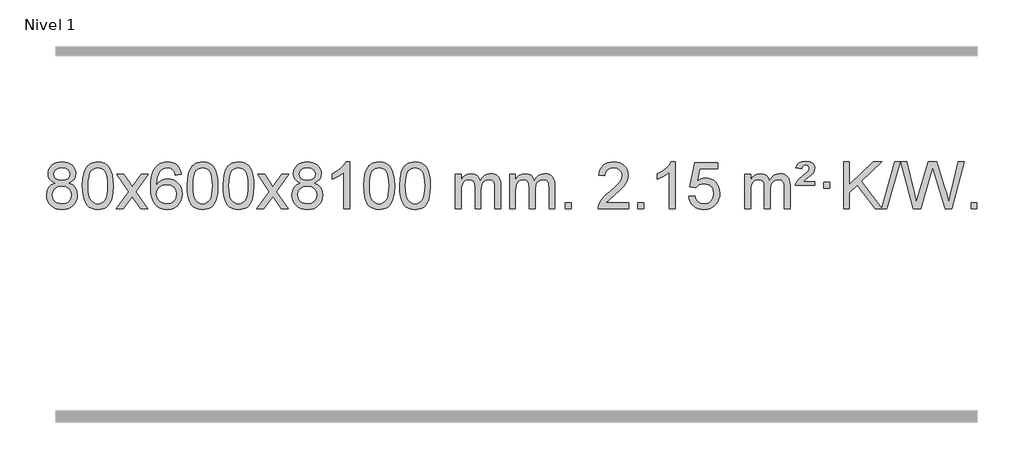
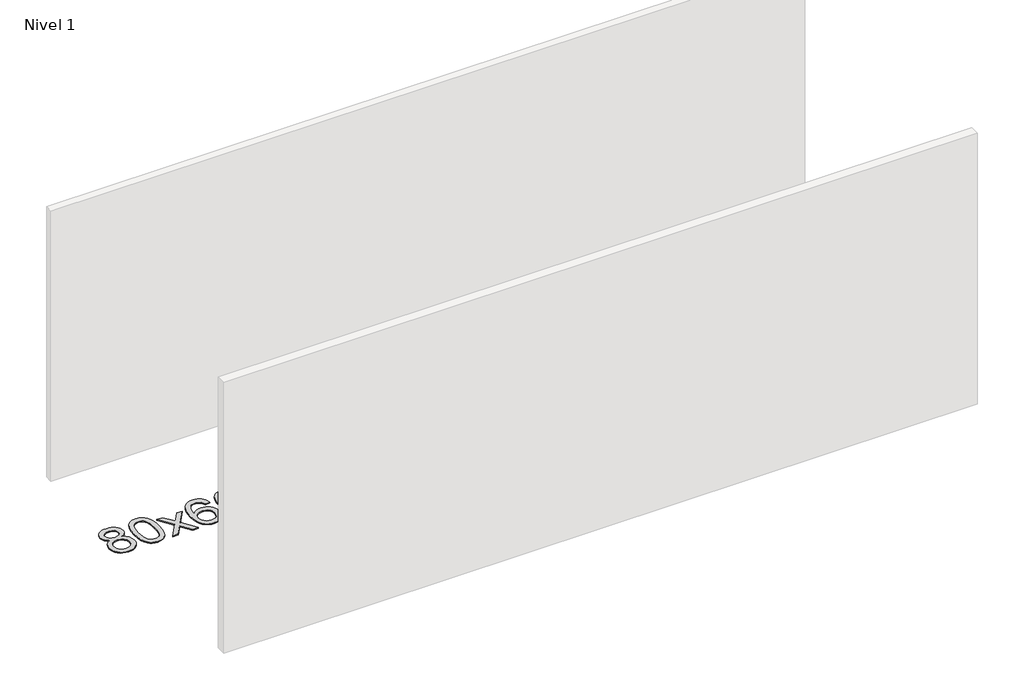
# One storey, part 3 of 8: 1 proxy.
"""IFC4 building model written with IfcOpenShell, lengths in millimetres."""

from ifc_helpers import new_model, si_unit, origin, origin_with_axes, place, context, project, spatial, polyline, outline, extrude, element, save

model = new_model("IFC4")

# Units and contexts
model_context = context("Model", 3, world=origin())
ifc_project = project(units=[si_unit("LENGTHUNIT", "METRE", prefix="MILLI")], contexts=[model_context])

# Site, building, storey
site = spatial("IfcSite", under=ifc_project)
building = spatial("IfcBuilding", under=site)
storey = spatial("IfcBuildingStorey", under=building, Name="Nivel 1", Elevation=0.0)

# Proxy
placement = place(None, origin())
element("IfcBuildingElementProxy", 1, Name="Texto de modelo 1", ObjectType="Texto de modelo 1", at=placement, inside=storey, context=model_context, shape_type="SweptSolid", body=[
    extrude(outline(polyline([(-13036.8094438, -6199.2616447), (-13063.7016177, -6186.0178929), (-13082.573964, -6168.0652515), (-13093.7207885, -6145.7716026), (-13097.4363966, -6119.5048281), (-13095.4130456, -6099.0199324), (-13089.3429927, -6080.2395565), (-13079.2262378, -6063.1637006), (-13065.062781, -6047.7923645), (-13047.533204, -6035.088173), (-13027.3180883, -6026.0137504), (-13004.4174341, -6020.5690969), (-12978.8312414, -6018.7542124), (-12953.1224213, -6020.6120165), (-12930.0500888, -6026.1854287), (-12909.614244, -6035.4744491), (-12891.8148868, -6048.4790776), (-12877.3939126, -6064.1508506), (-12867.0932167, -6081.4413044), (-12860.9127992, -6100.3504389), (-12858.85266, -6120.8782543), (-12862.5192172, -6146.2989001), (-12873.5188889, -6168.2124043), (-12891.9743023, -6186.0546811), (-12918.0080848, -6199.2616447), (-12887.0937345, -6215.1909351), (-12864.5916191, -6238.6495436), (-12850.8696207, -6268.5092989), (-12846.2956212, -6303.6420295), (-12848.5642269, -6328.6947933), (-12855.3700438, -6351.6628926), (-12866.713072, -6372.5463272), (-12882.5933114, -6391.3450971), (-12902.1768963, -6406.88198), (-12924.6299607, -6417.9797536), (-12949.9525047, -6424.6384177), (-12978.1445283, -6426.8579724), (-13006.3365519, -6424.6292206), (-13031.6590959, -6417.9429654), (-13054.1121603, -6406.7992066), (-13073.6957452, -6391.1979443), (-13089.5759846, -6372.26735), (-13100.9190128, -6351.135595), (-13107.7248297, -6327.8026795), (-13109.9934354, -6302.2686033), (-13105.2354949, -6265.7747094), (-13090.9616735, -6235.7555386), (-13067.9077351, -6213.2411605), (-13036.8094438, -6199.2616447)]), holes=[polyline([(-13047.2082415, -6120.9763561), (-13042.7568694, -6142.902123), (-13029.402753, -6160.413306), (-13007.5382997, -6171.8912243), (-12977.5559171, -6175.717197), (-12948.2725103, -6171.9157497), (-12926.7391508, -6160.5114079), (-12913.495399, -6143.5888361), (-12909.0808151, -6123.232699), (-12913.6425518, -6102.1040098), (-12927.327762, -6084.629615), (-12949.1554271, -6072.8941794), (-12978.1445283, -6068.9823675), (-13007.3175705, -6072.8083402), (-13029.1084474, -6084.2862585), (-13042.683293, -6101.1107284), (-13047.2082415, -6120.9763561)]), polyline([(-13059.7652803, -6300.5027698), (-13057.6683529, -6319.7184726), (-13051.3775708, -6338.3210389), (-13039.7647625, -6354.5446349), (-13021.7017565, -6366.623427), (-13000.0702952, -6374.1282197), (-12977.7521208, -6376.6298173), (-12943.5636208, -6371.3691048), (-12929.6699441, -6364.7932141), (-12917.909983, -6355.5869672), (-12901.870328, -6331.6869002), (-12896.5237763, -6302.0723996), (-12902.0420062, -6271.9551269), (-12918.596696, -6247.5277625), (-12930.6754882, -6238.0854579), (-12944.838945, -6231.3409547), (-12979.4198526, -6225.9453521), (-13013.130106, -6231.2673783), (-13026.8674329, -6237.919911), (-13038.5262264, -6247.2334569), (-13054.4555168, -6271.1948375), (-13059.7652803, -6300.5027698)])]), origin_with_axes(), (0.0, 0.0, 1.0), 10.0),
    extrude(outline(polyline([(-12802.3459855, -6222.9041943), (-12798.6549029, -6158.5861588), (-12787.5816548, -6107.2911459), (-12769.236606, -6068.2343407), (-12757.378543, -6053.0009605), (-12743.730121, -6040.6309284), (-12728.2453547, -6031.0598651), (-12710.8782588, -6024.2233914), (-12670.4970785, -6018.7542124), (-12639.5459399, -6021.991574), (-12611.832163, -6031.7036586), (-12588.6555973, -6047.5103217), (-12571.3160926, -6069.0314184), (-12558.2194935, -6096.0830078), (-12547.7716449, -6128.4811488), (-12540.9290398, -6169.6226186), (-12538.6481714, -6222.9041943), (-12542.3024659, -6286.8543477), (-12553.2653493, -6338.0267333), (-12571.5000336, -6377.1203266), (-12583.3305054, -6392.3996922), (-12596.9697304, -6404.8341036), (-12612.4728908, -6414.4695462), (-12629.8951689, -6421.3520052), (-12670.4970785, -6426.8579724), (-12698.1618045, -6424.4667394), (-12722.6872709, -6417.2930405), (-12744.0734775, -6405.3368757), (-12762.3204245, -6388.5982449), (-12779.8316074, -6358.3399508), (-12792.3395953, -6320.6381776), (-12799.844388, -6275.4929255), (-12802.3459855, -6222.9041943)]), holes=[polyline([(-12752.1178305, -6222.8060924), (-12750.6463025, -6266.4706195), (-12746.2317185, -6301.8148822), (-12738.8740786, -6328.8388804), (-12728.5733828, -6347.5426142), (-12716.1144459, -6360.2682656), (-12702.2820829, -6369.3580165), (-12687.0762937, -6374.8118671), (-12670.4970785, -6376.6298173), (-12653.9178632, -6374.8057357), (-12638.7120741, -6369.3334911), (-12624.8797111, -6360.2130833), (-12612.4207742, -6347.4445124), (-12602.1200783, -6328.7101217), (-12594.7624384, -6301.6922549), (-12590.3478545, -6266.3909118), (-12588.8763265, -6222.8060924), (-12590.2988035, -6180.2973278), (-12594.5662347, -6145.5753989), (-12601.6786199, -6118.6403055), (-12611.6359592, -6099.4920476), (-12623.8864297, -6086.1440625), (-12637.8782082, -6076.6097875), (-12653.6112949, -6070.8892225), (-12671.0856897, -6068.9823675), (-12687.5790658, -6070.6623619), (-12702.5273375, -6075.7023452), (-12715.9305049, -6084.1023175), (-12727.7885679, -6095.8622786), (-12738.4326203, -6116.708925), (-12746.0355148, -6144.8151094), (-12750.5972516, -6180.1808319), (-12752.1178305, -6222.8060924)])]), origin_with_axes(), (0.0, 0.0, 1.0), 10.0),
    extrude(outline(polyline([(-12513.5340939, -6420.579453), (-12406.2106531, -6272.2494325), (-12507.2555745, -6125.4890419), (-12446.8248254, -6125.4890419), (-12398.0681983, -6196.122385), (-12375.3085655, -6229.4770192), (-12355.5900906, -6202.2047007), (-12300.0644348, -6125.4890419), (-12239.6336857, -6125.4890419), (-12345.7799041, -6272.2494325), (-12243.5577603, -6420.579453), (-12303.9885094, -6420.579453), (-12365.498379, -6331.4048574), (-12376.7800935, -6315.1199477), (-12453.1033448, -6420.579453), (-12513.5340939, -6420.579453)])), origin_with_axes(), (0.0, 0.0, 1.0), 10.0),
    extrude(outline(polyline([(-11954.7458687, -6125.4890419), (-12004.9740237, -6131.7675613), (-12013.0674276, -6106.874213), (-12024.0057856, -6089.8780648), (-12046.7899439, -6074.2062918), (-12074.3320426, -6068.9823675), (-12097.6802865, -6072.0235253), (-12119.6551044, -6081.1469988), (-12138.5274507, -6100.3627017), (-12153.9417063, -6126.8134171), (-12164.3527668, -6164.227016), (-12168.2155277, -6216.3313693), (-12148.0678571, -6192.8237098), (-12123.9225355, -6176.2567573), (-12097.1284635, -6166.434308), (-12069.0345418, -6163.1601582), (-12044.9014829, -6165.398107), (-12022.6323595, -6172.1119534), (-12002.2271715, -6183.3016975), (-11983.6859189, -6198.9673391), (-11968.2777947, -6218.1769106), (-11957.2719917, -6239.9984443), (-11950.6685099, -6264.4319401), (-11948.4673493, -6291.4773982), (-11952.6121531, -6327.4439945), (-11965.0465645, -6360.786366), (-11984.740514, -6389.0642287), (-12010.6639319, -6409.8372987), (-12041.6395959, -6422.602804), (-12076.4902836, -6426.8579724), (-12106.4328123, -6424.0375437), (-12133.4752046, -6415.5762579), (-12157.6174606, -6401.4741147), (-12178.8595801, -6381.7311143), (-12196.177625, -6355.5133908), (-12208.5476571, -6321.9870783), (-12215.9696764, -6281.1521768), (-12218.4436828, -6233.0086864), (-12215.6968306, -6179.0342663), (-12207.4562739, -6132.9693092), (-12193.7220127, -6094.8138149), (-12174.4940471, -6064.5677835), (-12153.6535321, -6044.5243462), (-12129.4898164, -6030.2076052), (-12102.0029, -6021.6175606), (-12071.1927829, -6018.7542124), (-12048.0591367, -6020.5261773), (-12027.1205198, -6025.8420722), (-12008.3769322, -6034.7018969), (-11991.8283738, -6047.1056515), (-11977.9224344, -6062.6364031), (-11967.1067037, -6080.8772186), (-11959.3811818, -6101.8280983), (-11954.7458687, -6125.4890419)]), holes=[polyline([(-12168.2155277, -6290.6925832), (-12165.30926, -6312.9494439), (-12156.5904567, -6334.2007605), (-12143.0523993, -6352.472233), (-12125.6883691, -6365.7895612), (-12104.7313581, -6373.9197533), (-12080.4143582, -6376.6298173), (-12047.2681904, -6371.0134855), (-12033.353054, -6363.9930708), (-12021.2098825, -6354.1644901), (-12011.359842, -6341.9262824), (-12004.3240989, -6327.6769865), (-11998.6955043, -6293.1451299), (-12004.2505225, -6259.9989621), (-12011.1942951, -6246.3781312), (-12020.9155769, -6234.725469), (-12033.0955366, -6225.3904634), (-12047.4153432, -6218.7226022), (-12082.4744974, -6213.3883133), (-12115.5716142, -6218.7226022), (-12143.248603, -6234.725469), (-12154.1716326, -6246.2248471), (-12161.9737965, -6259.3858254), (-12166.6550949, -6274.2084042), (-12168.2155277, -6290.6925832)])]), origin_with_axes(), (0.0, 0.0, 1.0), 10.0),
    extrude(outline(polyline([(-11904.5177136, -6222.9041943), (-11900.8266309, -6158.5861588), (-11889.7533828, -6107.2911459), (-11871.408334, -6068.2343407), (-11859.550271, -6053.0009605), (-11845.901849, -6040.6309284), (-11830.4170827, -6031.0598651), (-11813.0499869, -6024.2233914), (-11772.6688065, -6018.7542124), (-11741.717668, -6021.991574), (-11714.003891, -6031.7036586), (-11690.8273253, -6047.5103217), (-11673.4878206, -6069.0314184), (-11660.3912216, -6096.0830078), (-11649.9433729, -6128.4811488), (-11643.1007678, -6169.6226186), (-11640.8198994, -6222.9041943), (-11644.4741939, -6286.8543477), (-11655.4370774, -6338.0267333), (-11673.6717616, -6377.1203266), (-11685.5022334, -6392.3996922), (-11699.1414584, -6404.8341036), (-11714.6446188, -6414.4695462), (-11732.066897, -6421.3520052), (-11772.6688065, -6426.8579724), (-11800.3335326, -6424.4667394), (-11824.8589989, -6417.2930405), (-11846.2452055, -6405.3368757), (-11864.4921525, -6388.5982449), (-11882.0033355, -6358.3399508), (-11894.5113233, -6320.6381776), (-11902.016116, -6275.4929255), (-11904.5177136, -6222.9041943)]), holes=[polyline([(-11854.2895585, -6222.8060924), (-11852.8180305, -6266.4706195), (-11848.4034466, -6301.8148822), (-11841.0458067, -6328.8388804), (-11830.7451108, -6347.5426142), (-11818.2861739, -6360.2682656), (-11804.4538109, -6369.3580165), (-11789.2480218, -6374.8118671), (-11772.6688065, -6376.6298173), (-11756.0895913, -6374.8057357), (-11740.8838021, -6369.3334911), (-11727.0514391, -6360.2130833), (-11714.5925022, -6347.4445124), (-11704.2918063, -6328.7101217), (-11696.9341664, -6301.6922549), (-11692.5195825, -6266.3909118), (-11691.0480545, -6222.8060924), (-11692.4705316, -6180.2973278), (-11696.7379627, -6145.5753989), (-11703.8503479, -6118.6403055), (-11713.8076873, -6099.4920476), (-11726.0581577, -6086.1440625), (-11740.0499363, -6076.6097875), (-11755.7830229, -6070.8892225), (-11773.2574177, -6068.9823675), (-11789.7507938, -6070.6623619), (-11804.6990656, -6075.7023452), (-11818.1022329, -6084.1023175), (-11829.9602959, -6095.8622786), (-11840.6043483, -6116.708925), (-11848.2072429, -6144.8151094), (-11852.7689796, -6180.1808319), (-11854.2895585, -6222.8060924)])]), origin_with_axes(), (0.0, 0.0, 1.0), 10.0),
    extrude(outline(polyline([(-11596.8702638, -6222.9041943), (-11593.1791811, -6158.5861588), (-11582.105933, -6107.2911459), (-11563.7608842, -6068.2343407), (-11551.9028212, -6053.0009605), (-11538.2543992, -6040.6309284), (-11522.7696329, -6031.0598651), (-11505.402537, -6024.2233914), (-11465.0213567, -6018.7542124), (-11434.0702182, -6021.991574), (-11406.3564412, -6031.7036586), (-11383.1798755, -6047.5103217), (-11365.8403708, -6069.0314184), (-11352.7437718, -6096.0830078), (-11342.2959231, -6128.4811488), (-11335.453318, -6169.6226186), (-11333.1724496, -6222.9041943), (-11336.8267441, -6286.8543477), (-11347.7896275, -6338.0267333), (-11366.0243118, -6377.1203266), (-11377.8547836, -6392.3996922), (-11391.4940086, -6404.8341036), (-11406.997169, -6414.4695462), (-11424.4194471, -6421.3520052), (-11465.0213567, -6426.8579724), (-11492.6860827, -6424.4667394), (-11517.2115491, -6417.2930405), (-11538.5977557, -6405.3368757), (-11556.8447027, -6388.5982449), (-11574.3558856, -6358.3399508), (-11586.8638735, -6320.6381776), (-11594.3686662, -6275.4929255), (-11596.8702638, -6222.9041943)]), holes=[polyline([(-11546.6421087, -6222.8060924), (-11545.1705807, -6266.4706195), (-11540.7559968, -6301.8148822), (-11533.3983568, -6328.8388804), (-11523.097661, -6347.5426142), (-11510.6387241, -6360.2682656), (-11496.8063611, -6369.3580165), (-11481.6005719, -6374.8118671), (-11465.0213567, -6376.6298173), (-11448.4421414, -6374.8057357), (-11433.2363523, -6369.3334911), (-11419.4039893, -6360.2130833), (-11406.9450524, -6347.4445124), (-11396.6443565, -6328.7101217), (-11389.2867166, -6301.6922549), (-11384.8721327, -6266.3909118), (-11383.4006047, -6222.8060924), (-11384.8230817, -6180.2973278), (-11389.0905129, -6145.5753989), (-11396.2028981, -6118.6403055), (-11406.1602375, -6099.4920476), (-11418.4107079, -6086.1440625), (-11432.4024864, -6076.6097875), (-11448.1355731, -6070.8892225), (-11465.6099679, -6068.9823675), (-11482.103344, -6070.6623619), (-11497.0516157, -6075.7023452), (-11510.4547831, -6084.1023175), (-11522.3128461, -6095.8622786), (-11532.9568985, -6116.708925), (-11540.559793, -6144.8151094), (-11545.1215298, -6180.1808319), (-11546.6421087, -6222.8060924)])]), origin_with_axes(), (0.0, 0.0, 1.0), 10.0),
    extrude(outline(polyline([(-11308.0583721, -6420.579453), (-11200.7349313, -6272.2494325), (-11301.7798527, -6125.4890419), (-11241.3491036, -6125.4890419), (-11192.5924765, -6196.122385), (-11169.8328437, -6229.4770192), (-11150.1143688, -6202.2047007), (-11094.588713, -6125.4890419), (-11034.1579639, -6125.4890419), (-11140.3041823, -6272.2494325), (-11038.0820385, -6420.579453), (-11098.5127876, -6420.579453), (-11160.0226572, -6331.4048574), (-11171.3043717, -6315.1199477), (-11247.627623, -6420.579453), (-11308.0583721, -6420.579453)])), origin_with_axes(), (0.0, 0.0, 1.0), 10.0),
    extrude(outline(polyline([(-10933.50545, -6199.2616447), (-10960.3976239, -6186.0178929), (-10979.2699702, -6168.0652515), (-10990.4167947, -6145.7716026), (-10994.1324029, -6119.5048281), (-10992.1090519, -6099.0199324), (-10986.038999, -6080.2395565), (-10975.9222441, -6063.1637006), (-10961.7587873, -6047.7923645), (-10944.2292102, -6035.088173), (-10924.0140946, -6026.0137504), (-10901.1134404, -6020.5690969), (-10875.5272476, -6018.7542124), (-10849.8184275, -6020.6120165), (-10826.746095, -6026.1854287), (-10806.3102502, -6035.4744491), (-10788.510893, -6048.4790776), (-10774.0899188, -6064.1508506), (-10763.7892229, -6081.4413044), (-10757.6088054, -6100.3504389), (-10755.5486662, -6120.8782543), (-10759.2152235, -6146.2989001), (-10770.2148951, -6168.2124043), (-10788.6703085, -6186.0546811), (-10814.7040911, -6199.2616447), (-10783.7897407, -6215.1909351), (-10761.2876254, -6238.6495436), (-10747.565627, -6268.5092989), (-10742.9916275, -6303.6420295), (-10745.2602331, -6328.6947933), (-10752.06605, -6351.6628926), (-10763.4090782, -6372.5463272), (-10779.2893177, -6391.3450971), (-10798.8729025, -6406.88198), (-10821.325967, -6417.9797536), (-10846.648511, -6424.6384177), (-10874.8405346, -6426.8579724), (-10903.0325581, -6424.6292206), (-10928.3551021, -6417.9429654), (-10950.8081666, -6406.7992066), (-10970.3917514, -6391.1979443), (-10986.2719909, -6372.26735), (-10997.6150191, -6351.135595), (-11004.420836, -6327.8026795), (-11006.6894416, -6302.2686033), (-11001.9315012, -6265.7747094), (-10987.6576797, -6235.7555386), (-10964.6037414, -6213.2411605), (-10933.50545, -6199.2616447)]), holes=[polyline([(-10943.9042478, -6120.9763561), (-10939.4528756, -6142.902123), (-10926.0987592, -6160.413306), (-10904.234306, -6171.8912243), (-10874.2519234, -6175.717197), (-10844.9685165, -6171.9157497), (-10823.4351571, -6160.5114079), (-10810.1914053, -6143.5888361), (-10805.7768213, -6123.232699), (-10810.3385581, -6102.1040098), (-10824.0237683, -6084.629615), (-10845.8514333, -6072.8941794), (-10874.8405346, -6068.9823675), (-10904.0135768, -6072.8083402), (-10925.8044536, -6084.2862585), (-10939.3792992, -6101.1107284), (-10943.9042478, -6120.9763561)]), polyline([(-10956.4612865, -6300.5027698), (-10954.3643592, -6319.7184726), (-10948.0735771, -6338.3210389), (-10936.4607687, -6354.5446349), (-10918.3977628, -6366.623427), (-10896.7663015, -6374.1282197), (-10874.4481271, -6376.6298173), (-10840.259627, -6371.3691048), (-10826.3659503, -6364.7932141), (-10814.6059892, -6355.5869672), (-10798.5663342, -6331.6869002), (-10793.2197826, -6302.0723996), (-10798.7380125, -6271.9551269), (-10815.2927023, -6247.5277625), (-10827.3714944, -6238.0854579), (-10841.5349513, -6231.3409547), (-10876.1158588, -6225.9453521), (-10909.8261123, -6231.2673783), (-10923.5634391, -6237.919911), (-10935.2222327, -6247.2334569), (-10951.1515231, -6271.1948375), (-10956.4612865, -6300.5027698)])]), origin_with_axes(), (0.0, 0.0, 1.0), 10.0),
    extrude(outline(polyline([(-10510.6864103, -6420.579453), (-10560.9145653, -6420.579453), (-10560.9145653, -6107.4382987), (-10581.8838391, -6124.3976587), (-10608.49397, -6141.3324932), (-10661.3708755, -6166.6918254), (-10661.3708755, -6119.2105225), (-10621.9216629, -6097.7507395), (-10587.7454255, -6072.219729), (-10560.8042007, -6045.0700378), (-10543.0600258, -6018.7542124), (-10510.6864103, -6018.7542124), (-10510.6864103, -6420.579453)])), origin_with_axes(), (0.0, 0.0, 1.0), 10.0),
    extrude(outline(polyline([(-10391.394542, -6222.9041943), (-10387.7034593, -6158.5861588), (-10376.6302112, -6107.2911459), (-10358.2851624, -6068.2343407), (-10346.4270994, -6053.0009605), (-10332.7786774, -6040.6309284), (-10317.2939111, -6031.0598651), (-10299.9268152, -6024.2233914), (-10259.5456349, -6018.7542124), (-10228.5944964, -6021.991574), (-10200.8807194, -6031.7036586), (-10177.7041537, -6047.5103217), (-10160.364649, -6069.0314184), (-10147.26805, -6096.0830078), (-10136.8202013, -6128.4811488), (-10129.9775962, -6169.6226186), (-10127.6967278, -6222.9041943), (-10131.3510223, -6286.8543477), (-10142.3139058, -6338.0267333), (-10160.54859, -6377.1203266), (-10172.3790618, -6392.3996922), (-10186.0182868, -6404.8341036), (-10201.5214472, -6414.4695462), (-10218.9437253, -6421.3520052), (-10259.5456349, -6426.8579724), (-10287.2103609, -6424.4667394), (-10311.7358273, -6417.2930405), (-10333.1220339, -6405.3368757), (-10351.3689809, -6388.5982449), (-10368.8801639, -6358.3399508), (-10381.3881517, -6320.6381776), (-10388.8929444, -6275.4929255), (-10391.394542, -6222.9041943)]), holes=[polyline([(-10341.1663869, -6222.8060924), (-10339.6948589, -6266.4706195), (-10335.280275, -6301.8148822), (-10327.9226351, -6328.8388804), (-10317.6219392, -6347.5426142), (-10305.1630023, -6360.2682656), (-10291.3306393, -6369.3580165), (-10276.1248501, -6374.8118671), (-10259.5456349, -6376.6298173), (-10242.9664196, -6374.8057357), (-10227.7606305, -6369.3334911), (-10213.9282675, -6360.2130833), (-10201.4693306, -6347.4445124), (-10191.1686347, -6328.7101217), (-10183.8109948, -6301.6922549), (-10179.3964109, -6266.3909118), (-10177.9248829, -6222.8060924), (-10179.3473599, -6180.2973278), (-10183.6147911, -6145.5753989), (-10190.7271763, -6118.6403055), (-10200.6845157, -6099.4920476), (-10212.9349861, -6086.1440625), (-10226.9267646, -6076.6097875), (-10242.6598513, -6070.8892225), (-10260.1342461, -6068.9823675), (-10276.6276222, -6070.6623619), (-10291.5758939, -6075.7023452), (-10304.9790613, -6084.1023175), (-10316.8371243, -6095.8622786), (-10327.4811767, -6116.708925), (-10335.0840712, -6144.8151094), (-10339.645808, -6180.1808319), (-10341.1663869, -6222.8060924)])]), origin_with_axes(), (0.0, 0.0, 1.0), 10.0),
    extrude(outline(polyline([(-10083.7470921, -6222.9041943), (-10080.0560094, -6158.5861588), (-10068.9827614, -6107.2911459), (-10050.6377126, -6068.2343407), (-10038.7796496, -6053.0009605), (-10025.1312276, -6040.6309284), (-10009.6464612, -6031.0598651), (-9992.2793654, -6024.2233914), (-9951.8981851, -6018.7542124), (-9920.9470465, -6021.991574), (-9893.2332696, -6031.7036586), (-9870.0567039, -6047.5103217), (-9852.7171992, -6069.0314184), (-9839.6206001, -6096.0830078), (-9829.1727515, -6128.4811488), (-9822.3301463, -6169.6226186), (-9820.049278, -6222.9041943), (-9823.7035725, -6286.8543477), (-9834.6664559, -6338.0267333), (-9852.9011401, -6377.1203266), (-9864.731612, -6392.3996922), (-9878.3708369, -6404.8341036), (-9893.8739974, -6414.4695462), (-9911.2962755, -6421.3520052), (-9951.8981851, -6426.8579724), (-9979.5629111, -6424.4667394), (-10004.0883774, -6417.2930405), (-10025.4745841, -6405.3368757), (-10043.721531, -6388.5982449), (-10061.232714, -6358.3399508), (-10073.7407019, -6320.6381776), (-10081.2454946, -6275.4929255), (-10083.7470921, -6222.9041943)]), holes=[polyline([(-10033.518937, -6222.8060924), (-10032.0474091, -6266.4706195), (-10027.6328251, -6301.8148822), (-10020.2751852, -6328.8388804), (-10009.9744894, -6347.5426142), (-9997.5155525, -6360.2682656), (-9983.6831894, -6369.3580165), (-9968.4774003, -6374.8118671), (-9951.8981851, -6376.6298173), (-9935.3189698, -6374.8057357), (-9920.1131807, -6369.3334911), (-9906.2808176, -6360.2130833), (-9893.8218807, -6347.4445124), (-9883.5211849, -6328.7101217), (-9876.163545, -6301.6922549), (-9871.748961, -6266.3909118), (-9870.2774331, -6222.8060924), (-9871.6999101, -6180.2973278), (-9875.9673412, -6145.5753989), (-9883.0797265, -6118.6403055), (-9893.0370658, -6099.4920476), (-9905.2875363, -6086.1440625), (-9919.2793148, -6076.6097875), (-9935.0124015, -6070.8892225), (-9952.4867962, -6068.9823675), (-9968.9801724, -6070.6623619), (-9983.9284441, -6075.7023452), (-9997.3316115, -6084.1023175), (-10009.1896744, -6095.8622786), (-10019.8337268, -6116.708925), (-10027.4366214, -6144.8151094), (-10031.9983581, -6180.1808319), (-10033.518937, -6222.8060924)])]), origin_with_axes(), (0.0, 0.0, 1.0), 10.0),
    extrude(outline(polyline([(-9606.5796189, -6420.579453), (-9606.5796189, -6125.4890419), (-9556.3514638, -6125.4890419), (-9556.3514638, -6174.0494653), (-9541.2437766, -6151.7435537), (-9521.8196072, -6134.2691589), (-9498.7411434, -6122.9751816), (-9472.6705727, -6119.2105225), (-9444.7360665, -6123.048758), (-9422.3443157, -6134.5634645), (-9405.6179477, -6152.9943524), (-9394.6795897, -6177.5811324), (-9376.3713291, -6152.0439906), (-9355.4878945, -6133.803175), (-9332.0292859, -6122.8586857), (-9305.9955034, -6119.2105225), (-9285.8876867, -6120.7280358), (-9268.2385479, -6125.2805755), (-9253.0480872, -6132.8681416), (-9240.3163045, -6143.4907342), (-9230.2516663, -6157.2709806), (-9223.0626389, -6174.3315082), (-9218.7492225, -6194.6723168), (-9217.3114171, -6218.2934066), (-9217.3114171, -6420.579453), (-9267.5395722, -6420.579453), (-9267.5395722, -6239.875817), (-9268.7045318, -6214.8230531), (-9272.1994108, -6197.9372695), (-9278.7477103, -6186.3735121), (-9289.0729316, -6177.2868268), (-9302.3534716, -6171.4007149), (-9317.7677272, -6169.4386776), (-9344.9787321, -6174.4663982), (-9367.1620165, -6189.54956), (-9375.7673895, -6201.1194488), (-9381.9140845, -6215.7182326), (-9386.8314405, -6254.0024856), (-9386.8314405, -6420.579453), (-9437.0595955, -6420.579453), (-9437.0595955, -6234.2840106), (-9439.9658633, -6205.8835206), (-9448.6846666, -6185.6254854), (-9464.0253458, -6173.4853796), (-9486.7972413, -6169.4386776), (-9506.1478342, -6172.1364789), (-9523.9778483, -6180.2298828), (-9538.6931281, -6193.5226856), (-9548.6995183, -6211.8186835), (-9554.4384775, -6237.2025411), (-9556.3514638, -6271.7589232), (-9556.3514638, -6420.579453), (-9606.5796189, -6420.579453)])), origin_with_axes(), (0.0, 0.0, 1.0), 10.0),
    extrude(outline(polyline([(-9141.9691845, -6420.579453), (-9141.9691845, -6125.4890419), (-9091.7410294, -6125.4890419), (-9091.7410294, -6174.0494653), (-9076.6333421, -6151.7435537), (-9057.2091728, -6134.2691589), (-9034.130709, -6122.9751816), (-9008.0601382, -6119.2105225), (-8980.1256321, -6123.048758), (-8957.7338813, -6134.5634645), (-8941.0075132, -6152.9943524), (-8930.0691552, -6177.5811324), (-8911.7608946, -6152.0439906), (-8890.87746, -6133.803175), (-8867.4188515, -6122.8586857), (-8841.3850689, -6119.2105225), (-8821.2772522, -6120.7280358), (-8803.6281135, -6125.2805755), (-8788.4376528, -6132.8681416), (-8775.7058701, -6143.4907342), (-8765.6412318, -6157.2709806), (-8758.4522045, -6174.3315082), (-8754.1387881, -6194.6723168), (-8752.7009826, -6218.2934066), (-8752.7009826, -6420.579453), (-8802.9291377, -6420.579453), (-8802.9291377, -6239.875817), (-8804.0940974, -6214.8230531), (-8807.5889763, -6197.9372695), (-8814.1372758, -6186.3735121), (-8824.4624972, -6177.2868268), (-8837.7430372, -6171.4007149), (-8853.1572928, -6169.4386776), (-8880.3682977, -6174.4663982), (-8902.551582, -6189.54956), (-8911.156955, -6201.1194488), (-8917.30365, -6215.7182326), (-8922.221006, -6254.0024856), (-8922.221006, -6420.579453), (-8972.4491611, -6420.579453), (-8972.4491611, -6234.2840106), (-8975.3554289, -6205.8835206), (-8984.0742321, -6185.6254854), (-8999.4149113, -6173.4853796), (-9022.1868068, -6169.4386776), (-9041.5373998, -6172.1364789), (-9059.3674138, -6180.2298828), (-9074.0826936, -6193.5226856), (-9084.0890839, -6211.8186835), (-9089.828043, -6237.2025411), (-9091.7410294, -6271.7589232), (-9091.7410294, -6420.579453), (-9141.9691845, -6420.579453)])), origin_with_axes(), (0.0, 0.0, 1.0), 10.0),
    extrude(outline(polyline([(-8664.8017113, -6420.579453), (-8664.8017113, -6370.3512979), (-8614.5735562, -6370.3512979), (-8614.5735562, -6420.579453), (-8664.8017113, -6420.579453)])), origin_with_axes(), (0.0, 0.0, 1.0), 10.0),
    extrude(outline(polyline([(-8118.5705248, -6370.3512979), (-8118.5705248, -6420.579453), (-8382.268339, -6420.579453), (-8381.164693, -6402.8965918), (-8376.8727364, -6385.9494945), (-8364.4873759, -6358.8856424), (-8346.3630562, -6332.6311307), (-8320.1453327, -6305.1503456), (-8283.4797605, -6274.4076736), (-8229.2784799, -6226.2641831), (-8196.7577115, -6190.7267824), (-8180.4973273, -6161.884834), (-8175.0771993, -6133.8277005), (-8180.190759, -6108.6768347), (-8195.5314382, -6087.7688747), (-8219.1126741, -6073.6789943), (-8248.9479039, -6068.9823675), (-8280.2791872, -6073.5686297), (-8304.6207125, -6087.3274163), (-8320.3292737, -6109.1796068), (-8325.7616645, -6138.0460807), (-8375.9898196, -6131.7675613), (-8371.6702718, -6105.838012), (-8363.8129255, -6083.1826125), (-8352.4177807, -6063.8013627), (-8337.4848374, -6047.6942627), (-8319.3574521, -6035.0329907), (-8298.3789813, -6025.989225), (-8274.5494251, -6020.5629655), (-8247.8687834, -6018.7542124), (-8220.9490184, -6020.7653006), (-8196.9907035, -6026.7985654), (-8175.9938386, -6036.8540066), (-8157.9584238, -6050.9316242), (-8143.4730702, -6067.9890861), (-8133.1263891, -6086.9840598), (-8126.9183804, -6107.9165453), (-8124.8490442, -6130.7865427), (-8127.0808616, -6154.8092369), (-8133.776314, -6178.4149983), (-8145.6589024, -6202.4254299), (-8163.4521282, -6227.6621347), (-8191.8158301, -6257.7916701), (-8235.4098465, -6296.4805933), (-8293.1918452, -6344.795762), (-8315.8533761, -6370.3512979), (-8118.5705248, -6370.3512979)])), origin_with_axes(), (0.0, 0.0, 1.0), 10.0),
    extrude(outline(polyline([(-8043.2282922, -6420.579453), (-8043.2282922, -6370.3512979), (-7993.0001371, -6370.3512979), (-7993.0001371, -6420.579453), (-8043.2282922, -6420.579453)])), origin_with_axes(), (0.0, 0.0, 1.0), 10.0),
    extrude(outline(polyline([(-7723.0238036, -6420.579453), (-7773.2519587, -6420.579453), (-7773.2519587, -6107.4382987), (-7794.2212324, -6124.3976587), (-7820.8313634, -6141.3324932), (-7873.7082688, -6166.6918254), (-7873.7082688, -6119.2105225), (-7834.2590562, -6097.7507395), (-7800.0828189, -6072.219729), (-7773.1415941, -6045.0700378), (-7755.3974192, -6018.7542124), (-7723.0238036, -6018.7542124), (-7723.0238036, -6420.579453)])), origin_with_axes(), (0.0, 0.0, 1.0), 10.0),
    extrude(outline(polyline([(-7603.7319353, -6313.8446235), (-7553.5037802, -6307.5661041), (-7544.2822049, -6337.7201649), (-7528.193499, -6359.3148381), (-7505.3112389, -6372.3010725), (-7475.709001, -6376.6298173), (-7456.5791372, -6375.1245668), (-7439.7056164, -6370.6088153), (-7425.0884384, -6363.0825628), (-7412.7276034, -6352.5458094), (-7402.8990228, -6339.519721), (-7395.878608, -6324.5254641), (-7390.2622762, -6288.6324441), (-7395.5229888, -6254.8363514), (-7402.0988794, -6240.9181493), (-7411.3051264, -6228.9865099), (-7423.1723864, -6219.4154467), (-7437.7313163, -6212.5789729), (-7474.9241861, -6207.1097939), (-7499.2902369, -6209.2925604), (-7519.0209745, -6215.8408599), (-7534.7785867, -6225.8717757), (-7547.2252608, -6238.5023908), (-7597.4534159, -6232.2238715), (-7553.5037802, -6025.0327318), (-7358.8696793, -6025.0327318), (-7358.8696793, -6075.2608869), (-7512.889608, -6075.2608869), (-7534.3739165, -6185.919791), (-7516.6481357, -6173.2155994), (-7498.4931592, -6164.1411769), (-7479.9089871, -6158.6965234), (-7460.8956193, -6156.8816388), (-7436.4345323, -6159.1318504), (-7413.9661395, -6165.882485), (-7393.4904407, -6177.1335427), (-7375.0074362, -6192.8850234), (-7359.7066109, -6212.1743027), (-7348.7774499, -6234.038756), (-7342.2199533, -6258.4783832), (-7340.0341212, -6285.4931844), (-7342.0022898, -6311.5147042), (-7347.9067959, -6335.7213394), (-7357.7476392, -6358.1130902), (-7371.5248199, -6378.6899565), (-7392.3959918, -6399.7634634), (-7416.7497799, -6414.8159684), (-7444.5861842, -6423.8474714), (-7475.9052047, -6426.8579724), (-7501.825557, -6424.9235262), (-7525.2381803, -6419.1201877), (-7546.1430746, -6409.447957), (-7564.5402401, -6395.9068338), (-7579.8471968, -6379.1712688), (-7591.4814649, -6359.915712), (-7599.4430444, -6338.1401636), (-7603.7319353, -6313.8446235)])), origin_with_axes(), (0.0, 0.0, 1.0), 10.0),
    extrude(outline(polyline([(-7126.5644621, -6420.579453), (-7126.5644621, -6125.4890419), (-7076.336307, -6125.4890419), (-7076.336307, -6174.0494653), (-7061.2286197, -6151.7435537), (-7041.8044504, -6134.2691589), (-7018.7259866, -6122.9751816), (-6992.6554158, -6119.2105225), (-6964.7209097, -6123.048758), (-6942.3291589, -6134.5634645), (-6925.6027909, -6152.9943524), (-6914.6644329, -6177.5811324), (-6896.3561722, -6152.0439906), (-6875.4727377, -6133.803175), (-6852.0141291, -6122.8586857), (-6825.9803466, -6119.2105225), (-6805.8725298, -6120.7280358), (-6788.2233911, -6125.2805755), (-6773.0329304, -6132.8681416), (-6760.3011477, -6143.4907342), (-6750.2365094, -6157.2709806), (-6743.0474821, -6174.3315082), (-6738.7340657, -6194.6723168), (-6737.2962603, -6218.2934066), (-6737.2962603, -6420.579453), (-6787.5244153, -6420.579453), (-6787.5244153, -6239.875817), (-6788.689375, -6214.8230531), (-6792.1842539, -6197.9372695), (-6798.7325535, -6186.3735121), (-6809.0577748, -6177.2868268), (-6822.3383148, -6171.4007149), (-6837.7525704, -6169.4386776), (-6864.9635753, -6174.4663982), (-6887.1468596, -6189.54956), (-6895.7522326, -6201.1194488), (-6901.8989276, -6215.7182326), (-6906.8162836, -6254.0024856), (-6906.8162836, -6420.579453), (-6957.0444387, -6420.579453), (-6957.0444387, -6234.2840106), (-6959.9507065, -6205.8835206), (-6968.6695098, -6185.6254854), (-6984.010189, -6173.4853796), (-7006.7820845, -6169.4386776), (-7026.1326774, -6172.1364789), (-7043.9626914, -6180.2298828), (-7058.6779713, -6193.5226856), (-7068.6843615, -6211.8186835), (-7074.4233206, -6237.2025411), (-7076.336307, -6271.7589232), (-7076.336307, -6420.579453), (-7126.5644621, -6420.579453)])), origin_with_axes(), (0.0, 0.0, 1.0), 10.0),
    extrude(outline(polyline([(-6693.3466246, -6219.6668327), (-6689.5206518, -6203.8479069), (-6681.1819933, -6187.9799302), (-6659.6731593, -6162.8413272), (-6627.7164766, -6135.1030247), (-6583.5706372, -6097.726214), (-6576.4337265, -6086.1992448), (-6574.0547563, -6074.3779701), (-6575.9432172, -6062.2869152), (-6581.6085999, -6052.5012541), (-6590.977328, -6046.026531), (-6603.9758252, -6043.8682899), (-6616.4102366, -6045.4869707), (-6625.26393, -6050.343013), (-6631.6896022, -6059.8098431), (-6636.8399501, -6075.2608869), (-6687.0681052, -6068.9823675), (-6676.2278491, -6043.7701881), (-6659.5995829, -6026.2099542), (-6635.834406, -6015.9092583), (-6603.5834178, -6012.475693), (-6567.8007624, -6016.6082341), (-6543.0545668, -6029.0058573), (-6528.6335926, -6047.3386434), (-6523.8266012, -6069.2766731), (-6527.9223541, -6092.1834586), (-6540.2096127, -6113.8149199), (-6560.737428, -6133.6314968), (-6597.2067965, -6161.6886303), (-6622.8113834, -6188.2742358), (-6523.8266012, -6188.2742358), (-6523.8266012, -6219.6668327), (-6693.3466246, -6219.6668327)])), origin_with_axes(), (0.0, 0.0, 1.0), 10.0),
    extrude(outline(polyline([(-6448.4843686, -6244.7809102), (-6448.4843686, -6194.5527552), (-6398.2562135, -6194.5527552), (-6398.2562135, -6244.7809102), (-6448.4843686, -6244.7809102)])), origin_with_axes(), (0.0, 0.0, 1.0), 10.0),
    extrude(outline(polyline([(-6007.6145856, -6420.579453), (-6161.045903, -6217.9009991), (-6228.7361901, -6282.4520265), (-6228.7361901, -6420.579453), (-6278.9643452, -6420.579453), (-6278.9643452, -6018.7542124), (-6228.7361901, -6018.7542124), (-6228.7361901, -6215.4484525), (-6022.7222728, -6018.7542124), (-5952.4813372, -6018.7542124), (-6125.4349259, -6183.9577537), (-5950.781316, -6414.5349332), (-5839.4679883, -6018.7542124), (-5794.1449265, -6018.7542124), (-5907.1582754, -6420.579453), (-5946.2028178, -6420.579453), (-5952.4813372, -6420.579453), (-6007.6145856, -6420.579453)])), origin_with_axes(), (0.0, 0.0, 1.0), 10.0),
    extrude(outline(polyline([(-5679.6600496, -6420.579453), (-5789.2398332, -6018.7542124), (-5737.4420483, -6018.7542124), (-5673.8720395, -6282.844434), (-5654.2516665, -6364.3670841), (-5633.2578673, -6292.2622131), (-5553.5991526, -6018.7542124), (-5478.943633, -6018.7542124), (-5421.0635325, -6217.0180823), (-5396.268286, -6290.5944814), (-5377.9968136, -6364.3670841), (-5358.9650517, -6285.1988788), (-5294.8064317, -6018.7542124), (-5243.0086468, -6018.7542124), (-5352.6865323, -6420.579453), (-5406.3482526, -6420.579453), (-5502.6842845, -6110.5775584), (-5516.12424, -6067.3146358), (-5531.2319273, -6119.4067263), (-5619.0330968, -6420.579453), (-5679.6600496, -6420.579453)])), origin_with_axes(), (0.0, 0.0, 1.0), 10.0),
    extrude(outline(polyline([(-5186.5019723, -6420.579453), (-5186.5019723, -6370.3512979), (-5136.2738173, -6370.3512979), (-5136.2738173, -6420.579453), (-5186.5019723, -6420.579453)])), origin_with_axes(), (0.0, 0.0, 1.0), 10.0),
])

save(model, "model.ifc")
